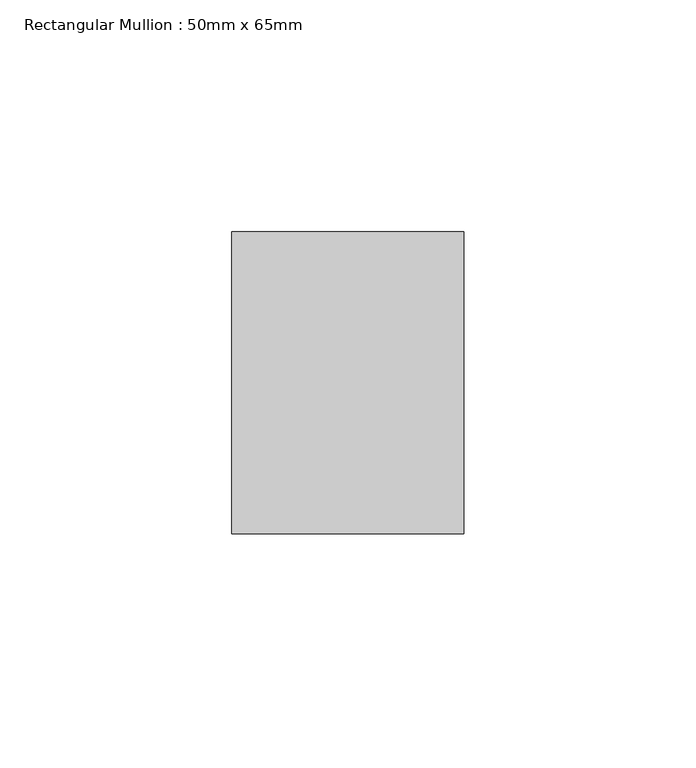
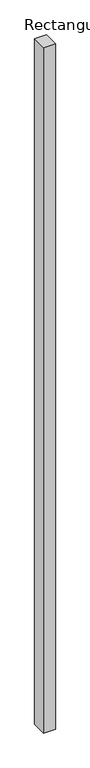
"""IFC4 building model written with IfcOpenShell, lengths in millimetres: member geometry, Rectangular Mullion : 50mm x 65mm."""

from ifc_helpers import new_model, si_unit, frame, origin, place, context, project, spatial, polyline, outline, extrude, source, transform, mapped, element, save


def rectangular_mullion_50mm_x_65mm_b946579c(model_context):
    return source(origin(), model_context, "Body", "SweptSolid", [
        extrude(outline(polyline([(25.0, 32.5), (25.0, -32.5), (-25.0, -32.5), (-25.0, 32.5), (25.0, 32.5)])), frame((0.0, 0.0, -3078.7110668), z_axis=(0.0, 0.0, 1.0), x_axis=(1.0, 0.0, 0.0)), (0.0, 0.0, 1.0), 3078.7110668),
    ])


if __name__ == "__main__":
    model = new_model("IFC4")
    model_context = context("Model", 3, world=origin())
    ifc_project = project(units=[si_unit("LENGTHUNIT", "METRE", prefix="MILLI")], contexts=[model_context])
    site = spatial("IfcSite", under=ifc_project)
    building = spatial("IfcBuilding", under=site)
    placement = place(None, origin())
    rectangular_mullion_50mm_x_65mm_shape = rectangular_mullion_50mm_x_65mm_b946579c(model_context)
    element("IfcMember", 1, ObjectType="Rectangular Mullion : 50mm x 65mm", at=placement, inside=building, context=model_context, shape_type="MappedRepresentation", body=[
        mapped(rectangular_mullion_50mm_x_65mm_shape, transform((0.0, 0.0, 0.0), x_axis=(1.0, 0.0, 0.0), y_axis=(0.0, 1.0, 0.0), z_axis=(0.0, 0.0, 1.0))),
    ])
    save(model, "model.ifc")
